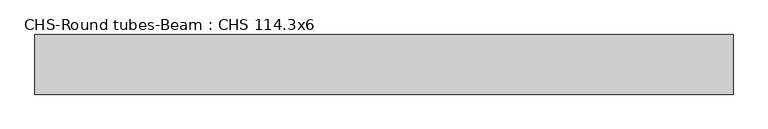
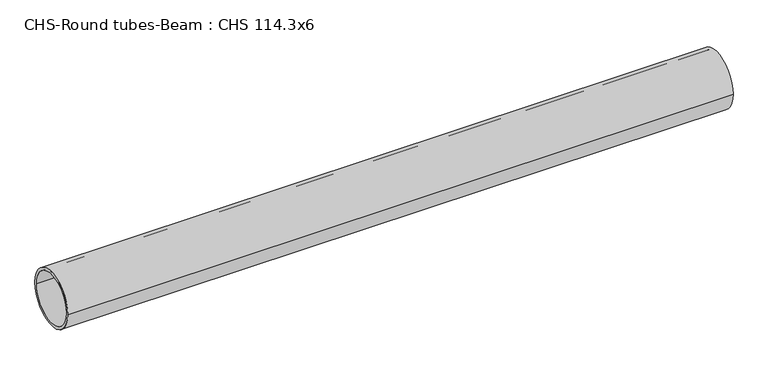
"""IFC4 building model written with IfcOpenShell, lengths in millimetres: beam geometry, CHS-Round tubes-Beam : CHS 114.3x6."""

from ifc_helpers import new_model, si_unit, point, frame, origin, origin_2d, place, context, project, spatial, circle_curve, trimmed, segment, composite_curve, outline, extrude, source, transform, mapped, element, save


def chs_round_tubes_beam_chs_114_3x6_5b8b998c(model_context):
    return source(origin(), model_context, "Body", "SweptSolid", [
        extrude(outline(composite_curve([segment(trimmed(circle_curve(origin_2d(), 57.15), [point((57.15, 0.0))], [point((-57.15, 0.0))], False, "CARTESIAN"), True, "CONTINUOUS"), segment(trimmed(circle_curve(origin_2d(), 57.15), [point((-57.15, 0.0))], [point((57.15, 0.0))], False, "CARTESIAN"), True, "CONTINUOUS")], self_intersect=False), holes=[composite_curve([segment(trimmed(circle_curve(origin_2d(), 51.15), [point((51.15, 0.0))], [point((-51.15, 0.0))], True, "CARTESIAN"), True, "CONTINUOUS"), segment(trimmed(circle_curve(origin_2d(), 51.15), [point((-51.15, 0.0))], [point((51.15, 0.0))], True, "CARTESIAN"), True, "CONTINUOUS")], self_intersect=False)]), frame((-656.3288956, 0.0, 0.0), z_axis=(1.0, 0.0, 0.0), x_axis=(0.0, 1.0, 0.0)), (0.0, 0.0, 1.0), 1337.5031929),
    ])


if __name__ == "__main__":
    model = new_model("IFC4")
    model_context = context("Model", 3, world=origin())
    ifc_project = project(units=[si_unit("LENGTHUNIT", "METRE", prefix="MILLI")], contexts=[model_context])
    site = spatial("IfcSite", under=ifc_project)
    building = spatial("IfcBuilding", under=site)
    placement = place(None, origin())
    chs_round_tubes_beam_chs_114_3x6_shape = chs_round_tubes_beam_chs_114_3x6_5b8b998c(model_context)
    element("IfcBeam", 1, ObjectType="CHS-Round tubes-Beam : CHS 114.3x6", at=placement, inside=building, context=model_context, shape_type="MappedRepresentation", body=[
        mapped(chs_round_tubes_beam_chs_114_3x6_shape, transform((0.0, 0.0, 0.0), x_axis=(1.0, 0.0, 0.0), y_axis=(0.0, 1.0, 0.0), z_axis=(0.0, 0.0, 1.0))),
    ])
    save(model, "model.ifc")
